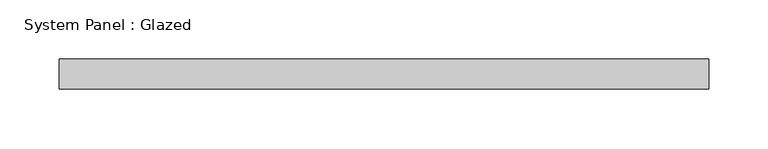
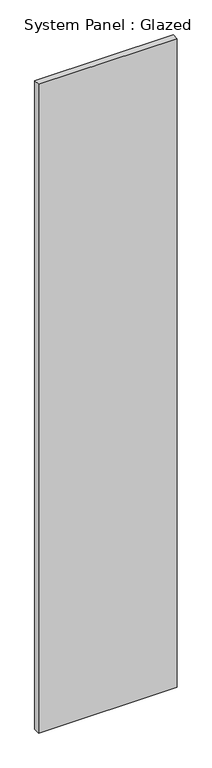
"""IFC4 building model written with IfcOpenShell, lengths in millimetres: plate geometry, System Panel : Glazed."""

from ifc_helpers import new_model, si_unit, origin, origin_with_axes, place, context, project, spatial, polyline, outline, extrude, source, transform, mapped, element, save


def system_panel_glazed_72c9bb41(model_context):
    return source(origin(), model_context, "Body", "SweptSolid", [
        extrude(outline(polyline([(272.8488371, 24.5), (-272.8488371, 24.5), (-272.8488371, 49.5), (272.8488371, 49.5), (272.8488371, 24.5)])), origin_with_axes(), (0.0, 0.0, 1.0), 2700.0),
    ])


if __name__ == "__main__":
    model = new_model("IFC4")
    model_context = context("Model", 3, world=origin())
    ifc_project = project(units=[si_unit("LENGTHUNIT", "METRE", prefix="MILLI")], contexts=[model_context])
    site = spatial("IfcSite", under=ifc_project)
    building = spatial("IfcBuilding", under=site)
    placement = place(None, origin())
    system_panel_glazed_shape = system_panel_glazed_72c9bb41(model_context)
    element("IfcPlate", 1, ObjectType="System Panel : Glazed", at=placement, inside=building, context=model_context, shape_type="MappedRepresentation", body=[
        mapped(system_panel_glazed_shape, transform((0.0, 0.0, 0.0), x_axis=(1.0, 0.0, 0.0), y_axis=(0.0, 1.0, 0.0), z_axis=(0.0, 0.0, 1.0))),
    ])
    save(model, "model.ifc")
